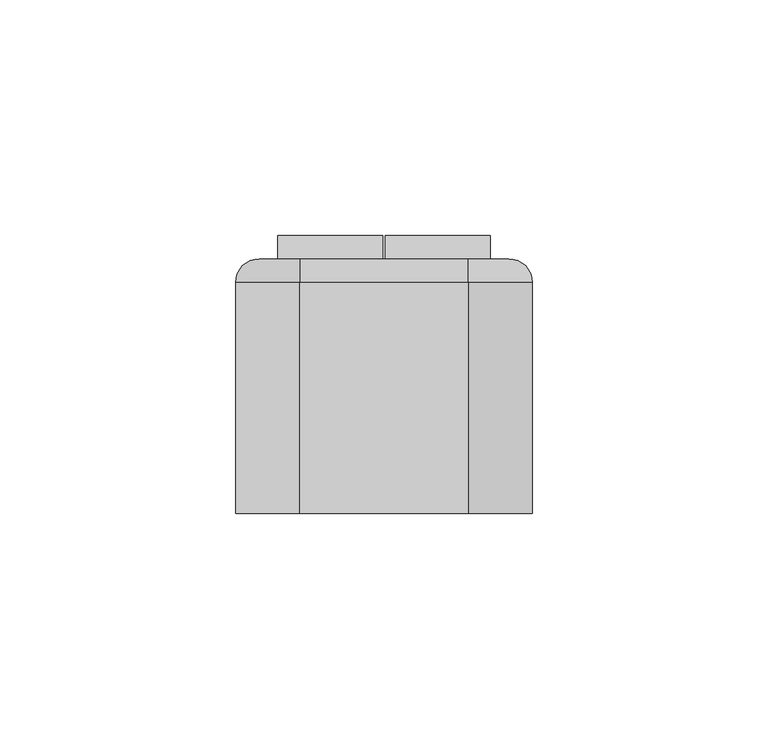
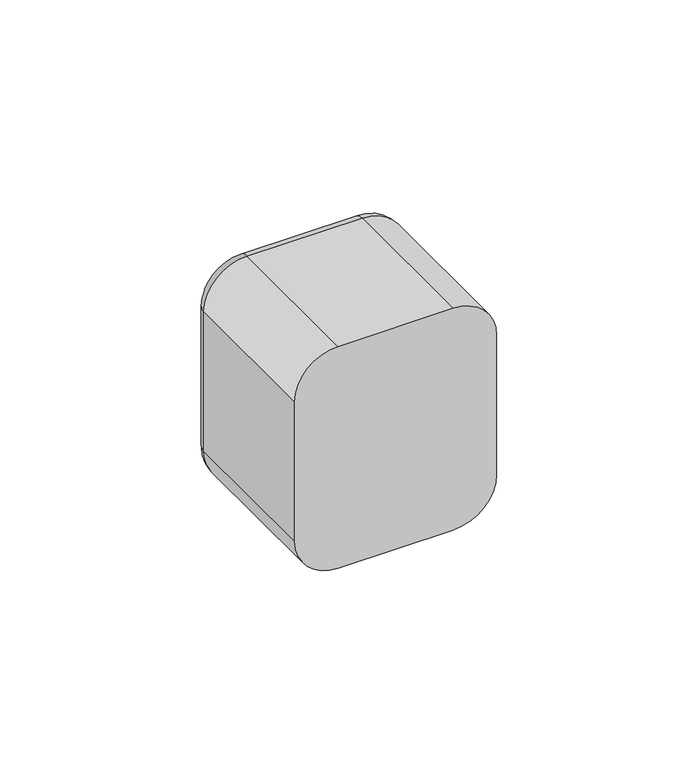
"""IFC4 building model written with IfcOpenShell, lengths in millimetres: switching device geometry."""

from ifc_helpers import new_model, si_unit, point, frame, origin, place, context, project, spatial, polyline, circle_curve, ellipse_curve, trimmed, outline, extrude, source, transform, mapped, element, save
from ifc_brep_helpers import plane_surface, cylinder_surface, revolved_surface, advanced_brep


def switching_device_df095b51(model_context):
    return source(origin(), model_context, "Body", "SolidModel", [
        advanced_brep(
        [(17.9328665, 54.0, 31.5), (26.5, 54.0, 22.9328665), (26.5, 54.0, -22.9328665), (17.9328665, 54.0, -31.5), (-17.9328665, 54.0, -31.5), (-26.5, 54.0, -22.9328665), (-26.5, 54.0, 22.9328665), (-17.9328665, 54.0, 31.5), (22.5, 54.0, 22.5), (-22.5, 54.0, 22.5), (-22.5, 54.0, -22.5), (22.5, 54.0, -22.5), (-17.9328665, 0.0, 36.5), (-31.5, 0.0, 22.9328665), (-31.5, 0.0, -22.9328665), (-17.9328665, 0.0, -36.5), (17.9328665, 0.0, -36.5), (31.5, 0.0, -22.9328665), (31.5, 0.0, 22.9328665), (17.9328665, 0.0, 36.5), (22.5, 2.0, -22.5), (22.5, 2.0, 22.5), (-22.5, 2.0, -22.5), (-22.5, 2.0, 22.5), (-31.5, 49.0, 22.9328665), (-31.5, 49.0, -22.9328665), (-17.9328665, 49.0, -36.5), (17.9328665, 49.0, -36.5), (31.5, 49.0, -22.9328665), (31.5, 49.0, 22.9328665), (17.9328665, 49.0000072, 36.5), (-17.9328665, 49.0, 36.5)],
        [
            (0, 1, circle_curve(frame((17.9328665, 54.0, 22.9328665), z_axis=(0.0, 1.0, 0.0), x_axis=(0.0, 0.0, 1.0)), 8.5671335)),
            (1, 2),
            (2, 3, circle_curve(frame((17.9328665, 54.0, -22.9328665), z_axis=(0.0, 1.0, 0.0), x_axis=(1.0, 0.0, 0.0)), 8.5671335)),
            (3, 4),
            (4, 5, circle_curve(frame((-17.9328665, 54.0, -22.9328665), z_axis=(0.0, 1.0, 0.0), x_axis=(0.0, 0.0, -1.0)), 8.5671335)),
            (5, 6),
            (6, 7, circle_curve(frame((-17.9328665, 54.0, 22.9328665), z_axis=(0.0, 1.0, 0.0), x_axis=(-1.0, 0.0, 0.0)), 8.5671335)),
            (7, 0),
            (8, 9),
            (9, 10),
            (10, 11),
            (11, 8),
            (12, 13, circle_curve(frame((-17.9328665, 0.0, 22.9328665), z_axis=(0.0, -1.0, 0.0), x_axis=(1.0, 0.0, 0.0)), 13.5671335)),
            (13, 14),
            (14, 15, circle_curve(frame((-17.9328665, 0.0, -22.9328665), z_axis=(0.0, -1.0, 0.0), x_axis=(1.0, 0.0, 0.0)), 13.5671335)),
            (15, 16),
            (16, 17, circle_curve(frame((17.9328665, 0.0, -22.9328665), z_axis=(0.0, -1.0, 0.0), x_axis=(1.0, 0.0, 0.0)), 13.5671335)),
            (17, 18),
            (18, 19, circle_curve(frame((17.9328665, 0.0, 22.9328665), z_axis=(0.0, -1.0, 0.0), x_axis=(1.0, 0.0, 0.0)), 13.5671335)),
            (19, 12),
            (11, 20),
            (20, 21),
            (21, 8),
            (10, 22),
            (22, 20),
            (9, 23),
            (23, 22),
            (21, 23),
            (13, 24),
            (24, 25),
            (25, 14),
            (15, 26),
            (26, 27),
            (27, 16),
            (17, 28),
            (28, 29),
            (29, 18),
            (19, 30),
            (30, 31),
            (31, 12),
            (31, 24, circle_curve(frame((-17.9328665, 49.0, 22.9328665), z_axis=(0.0, -1.0, 0.0), x_axis=(1.0, 0.0, 0.0)), 13.5671335)),
            (25, 26, circle_curve(frame((-17.9328665, 49.0, -22.9328665), z_axis=(0.0, -1.0, 0.0), x_axis=(1.0, 0.0, 0.0)), 13.5671335)),
            (27, 28, circle_curve(frame((17.9328665, 49.0, -22.9328665), z_axis=(0.0, -1.0, 0.0), x_axis=(1.0, 0.0, 0.0)), 13.5671335)),
            (29, 30, circle_curve(frame((17.9328665, 49.0, 22.9328665), z_axis=(0.0, -1.0, 0.0), x_axis=(1.0, 0.0, 0.0)), 13.5671335)),
            (29, 1, circle_curve(frame((26.5, 49.0, 22.9328665), z_axis=(0.0, 0.0, 1.0), x_axis=(0.0, 1.0, 0.0)), 5.0)),
            (0, 30, circle_curve(frame((17.9328665, 49.0, 31.5), z_axis=(1.0, 0.0, 0.0), x_axis=(0.0, 1.0, 0.0)), 5.0)),
            (28, 2, circle_curve(frame((26.5, 49.0, -22.9328665), z_axis=(0.0, 0.0, 1.0), x_axis=(0.0, 1.0, 0.0)), 5.0)),
            (27, 3, circle_curve(frame((17.9328665, 49.0, -31.5), z_axis=(1.0, 0.0, 0.0), x_axis=(0.0, 1.0, 0.0)), 5.0)),
            (26, 4, circle_curve(frame((-17.9328665, 49.0, -31.5), z_axis=(1.0, 0.0, 0.0), x_axis=(0.0, 1.0, 0.0)), 5.0)),
            (25, 5, circle_curve(frame((-26.5, 49.0, -22.9328665), z_axis=(0.0, 0.0, -1.0), x_axis=(0.0, 1.0, 0.0)), 5.0)),
            (24, 6, circle_curve(frame((-26.5, 49.0, 22.9328665), z_axis=(0.0, 0.0, -1.0), x_axis=(0.0, 1.0, 0.0)), 5.0)),
            (31, 7, circle_curve(frame((-17.9328665, 49.0, 31.5), z_axis=(-1.0, 0.0, 0.0), x_axis=(0.0, 1.0, 0.0)), 5.0)),
        ],
        [
            plane_surface(frame((22.5, 54.0, 6.9412233), z_axis=(0.0, 1.0, 0.0), x_axis=(0.0, 0.0, 1.0))),
            plane_surface(frame((22.5, 0.0, 6.9412233), z_axis=(0.0, -1.0, 0.0), x_axis=(0.0, 0.0, -1.0))),
            plane_surface(frame((22.5, 0.0, 22.5), z_axis=(-1.0, 0.0, 0.0), x_axis=(0.0, 1.0, 0.0))),
            plane_surface(frame((22.5, 0.0, -22.5), z_axis=(0.0, 0.0, 1.0), x_axis=(0.0, 1.0, 0.0))),
            plane_surface(frame((-22.5, 0.0, -22.5), z_axis=(1.0, 0.0, 0.0), x_axis=(0.0, 1.0, 0.0))),
            plane_surface(frame((-22.5, 0.0, 22.5), z_axis=(0.0, 0.0, -1.0), x_axis=(0.0, 1.0, 0.0))),
            plane_surface(frame((-31.5, 0.0, 22.9328665), z_axis=(-1.0, 0.0, 0.0), x_axis=(0.0, 1.0, 0.0))),
            plane_surface(frame((-17.9328665, 0.0, -36.5), z_axis=(0.0, 0.0, -1.0), x_axis=(0.0, 1.0, 0.0))),
            plane_surface(frame((31.5, 0.0, -22.9328665), z_axis=(1.0, 0.0, 0.0), x_axis=(0.0, 1.0, 0.0))),
            plane_surface(frame((17.9328665, 0.0, 36.5), z_axis=(0.0, 0.0, 1.0), x_axis=(0.0, 1.0, 0.0))),
            cylinder_surface(frame((-17.9328665, 0.0, 22.9328665), z_axis=(0.0, -1.0, 0.0), x_axis=(1.0, 0.0, 0.0)), 13.5671335),
            cylinder_surface(frame((-17.9328665, 0.0, -22.9328665), z_axis=(0.0, -1.0, 0.0), x_axis=(1.0, 0.0, 0.0)), 13.5671335),
            cylinder_surface(frame((17.9328665, 0.0, -22.9328665), z_axis=(0.0, -1.0, 0.0), x_axis=(1.0, 0.0, 0.0)), 13.5671335),
            cylinder_surface(frame((17.9328665, 0.0, 22.9328665), z_axis=(0.0, -1.0, 0.0), x_axis=(1.0, 0.0, 0.0)), 13.5671335),
            plane_surface(frame((-22.5, 2.0, 31.0), z_axis=(0.0, 1.0, 0.0), x_axis=(0.0, 0.0, 1.0))),
            revolved_surface(trimmed(ellipse_curve(frame((17.9328665, 49.0, 31.5), z_axis=(-1.0, 0.0, 0.0), x_axis=(0.0, 1.0, 0.0)), 5.0, 5.0), [point((17.9328665, 49.0, 36.5))], [point((17.9328665, 54.0, 31.5))], True, "CARTESIAN"), (17.9328665, 54.0, 22.9328665), (0.0, 1.0, 0.0)),
            cylinder_surface(frame((26.5, 49.0, 22.9328665), z_axis=(0.0, 0.0, -1.0), x_axis=(0.0, 1.0, 0.0)), 5.0),
            revolved_surface(trimmed(ellipse_curve(frame((26.5, 49.0, -22.9328665), z_axis=(0.0, 0.0, 1.0), x_axis=(0.0, 1.0, 0.0)), 5.0, 5.0), [point((31.5, 49.0, -22.9328665))], [point((26.5, 54.0, -22.9328665))], True, "CARTESIAN"), (17.9328665, 54.0, -22.9328665), (0.0, 1.0, 0.0)),
            cylinder_surface(frame((17.9328665, 49.0, -31.5), z_axis=(-1.0, 0.0, 0.0), x_axis=(0.0, 1.0, 0.0)), 5.0),
            revolved_surface(trimmed(ellipse_curve(frame((-17.9328665, 49.0, -31.5), z_axis=(1.0, 0.0, 0.0), x_axis=(0.0, 1.0, 0.0)), 5.0, 5.0), [point((-17.9328665, 49.0, -36.5))], [point((-17.9328665, 54.0, -31.5))], True, "CARTESIAN"), (-17.9328665, 54.0, -22.9328665), (0.0, 1.0, 0.0)),
            cylinder_surface(frame((-26.5, 49.0, -22.9328665), z_axis=(0.0, 0.0, 1.0), x_axis=(0.0, 1.0, 0.0)), 5.0),
            revolved_surface(trimmed(ellipse_curve(frame((-26.5, 49.0, 22.9328665), z_axis=(0.0, 0.0, -1.0), x_axis=(0.0, 1.0, 0.0)), 5.0, 5.0), [point((-31.5, 49.0, 22.9328665))], [point((-26.5, 54.0, 22.9328665))], True, "CARTESIAN"), (-17.9328665, 54.0, 22.9328665), (0.0, 1.0, 0.0)),
            cylinder_surface(frame((-17.9328665, 49.0, 31.5), z_axis=(1.0, 0.0, 0.0), x_axis=(0.0, 1.0, 0.0)), 5.0),
        ],
        [
            (0, [[1, 2, 3, 4, 5, 6, 7, 8], [9, 10, 11, 12]]),
            (1, [[13, 14, 15, 16, 17, 18, 19, 20]]),
            (2, [[-12, 21, 22, 23]]),
            (3, [[-11, 24, 25, -21]]),
            (4, [[-10, 26, 27, -24]]),
            (5, [[-9, -23, 28, -26]]),
            (6, [[-14, 29, 30, 31]]),
            (7, [[-16, 32, 33, 34]]),
            (8, [[-18, 35, 36, 37]]),
            (9, [[-20, 38, 39, 40]]),
            (10, [[-13, -40, 41, -29]]),
            (11, [[-15, -31, 42, -32]]),
            (12, [[-17, -34, 43, -35]]),
            (13, [[-19, -37, 44, -38]]),
            (14, [[-22, -25, -27, -28]]),
            (15, [[45, -1, 46, -44]]),
            (16, [[-45, -36, 47, -2]]),
            (17, [[-47, -43, 48, -3]]),
            (18, [[-48, -33, 49, -4]]),
            (19, [[-49, -42, 50, -5]]),
            (20, [[-50, -30, 51, -6]]),
            (21, [[-51, -41, 52, -7]]),
            (22, [[-46, -8, -52, -39]]),
        ],
    ),
        extrude(outline(polyline([(54.0, -22.5), (54.0, 22.5), (58.9850961, 21.9408026), (54.0, -22.5)])), frame((0.25, 0.0, 0.0), z_axis=(1.0, 0.0, 0.0), x_axis=(0.0, 1.0, 0.0)), (0.0, 0.0, 1.0), 22.25),
        extrude(outline(polyline([(54.0, -22.5), (54.0, 22.5), (58.9850961, 21.9408026), (54.0, -22.5)])), frame((-22.5, 0.0, 0.0), z_axis=(1.0, 0.0, 0.0), x_axis=(0.0, 1.0, 0.0)), (0.0, 0.0, 1.0), 22.25),
        extrude(outline(polyline([(22.5, 2.0), (-22.5, 2.0), (-22.5, 46.0), (22.5, 46.0), (22.5, 2.0)])), frame((0.0, 0.0, -22.5), z_axis=(0.0, 0.0, 1.0), x_axis=(1.0, 0.0, 0.0)), (0.0, 0.0, 1.0), 45.0),
        extrude(outline(polyline([(22.5, 46.0), (-22.5, 46.0), (-22.5, 54.0), (22.5, 54.0), (22.5, 46.0)])), frame((0.0, 0.0, -22.5), z_axis=(0.0, 0.0, 1.0), x_axis=(1.0, 0.0, 0.0)), (0.0, 0.0, 1.0), 45.0),
    ])


if __name__ == "__main__":
    model = new_model("IFC4")
    model_context = context("Model", 3, world=origin())
    ifc_project = project(units=[si_unit("LENGTHUNIT", "METRE", prefix="MILLI")], contexts=[model_context])
    site = spatial("IfcSite", under=ifc_project)
    building = spatial("IfcBuilding", under=site)
    placement = place(None, origin())
    switching_device_shape = switching_device_df095b51(model_context)
    element("IfcSwitchingDevice", 1, at=placement, inside=building, context=model_context, shape_type="MappedRepresentation", body=[
        mapped(switching_device_shape, transform((0.0, 0.0, 0.0), x_axis=(1.0, 0.0, 0.0), y_axis=(0.0, 1.0, 0.0), z_axis=(0.0, 0.0, 1.0))),
    ])
    save(model, "model.ifc")
